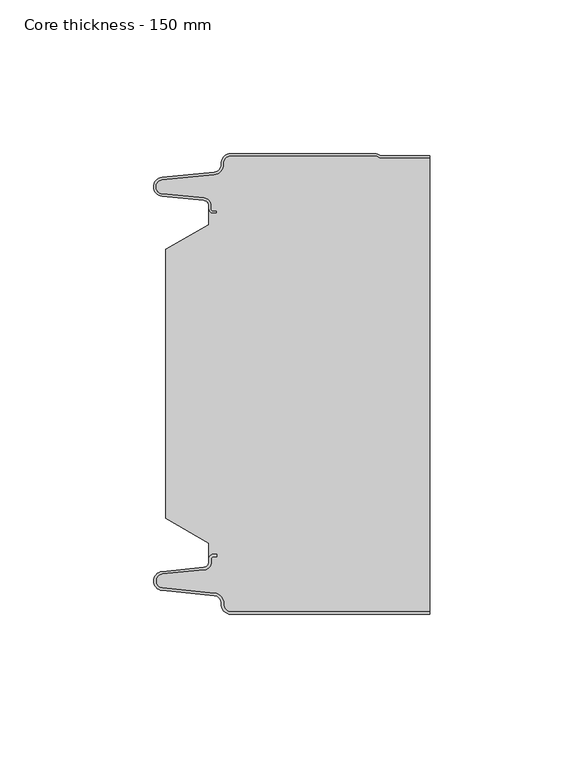
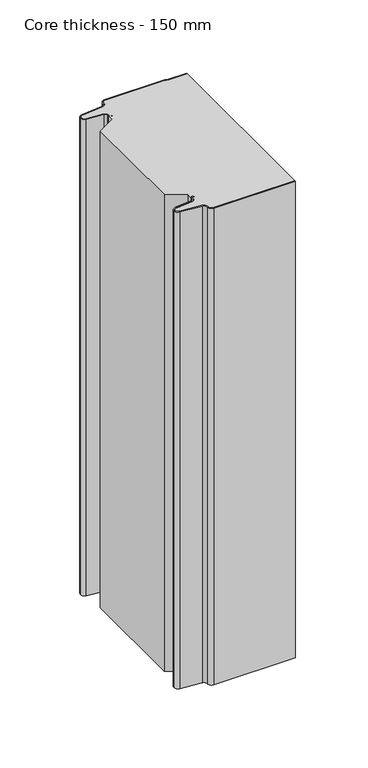
"""IFC4 building model written with IfcOpenShell, lengths in millimetres: plate geometry, Core thickness - 150 mm."""

import ifcopenshell
import ifcopenshell.guid

model = None  # the IFC model being written
_history = None  # IfcOwnerHistory: only IFC2X3 demands one
_inside = {}  # id of a spatial element -> (the spatial element, [elements in it])
_under = {}  # id of a project, library or spatial element -> (it, [spatial elements below it])
_declared = {}  # id of a project -> (the project, [libraries it declares])
_typed = {}  # id of a type object -> (the type object, [elements of that type])
_made_of = {}  # id of a material, layer set ... -> (it, [elements and type objects made of it])


def new_model(schema):
    """Start an empty IFC model of exactly this schema.

    Asked for "IFC4X3", IfcOpenShell would pick the latest addendum, in which some entities
    have other attributes; the version numbers below select the first issue.
    IFC2X3 requires an IfcOwnerHistory on every rooted entity: one is made here for all.
    """
    global model, _history
    if schema == "IFC4X3":
        model = ifcopenshell.file(schema_version=(4, 3, 0, 0))
    else:
        model = ifcopenshell.file(schema=schema)
    _inside.clear()
    _under.clear()
    _declared.clear()
    _typed.clear()
    _made_of.clear()
    _history = None
    if model.schema == "IFC2X3":
        org = make("IfcOrganization", Name="unknown")
        user = make(
            "IfcPersonAndOrganization",
            ThePerson=make("IfcPerson", FamilyName="unknown"),
            TheOrganization=org,
        )
        app = make(
            "IfcApplication",
            ApplicationDeveloper=org,
            Version="unknown",
            ApplicationFullName="unknown",
            ApplicationIdentifier="unknown",
        )
        _history = make(
            "IfcOwnerHistory",
            OwningUser=user,
            OwningApplication=app,
            ChangeAction="ADDED",
            CreationDate=0,
        )
    return model


def make(cls, **values):
    """One entity of the class cls with the attributes given. An attribute that is None is left unset."""
    return model.create_entity(
        cls, **{name: value for name, value in values.items() if value is not None}
    )


def rooted(cls, **values):
    """An entity with a GlobalId (a new one), such as an element, a storey or a relation."""
    return make(cls, GlobalId=ifcopenshell.guid.new(), OwnerHistory=_history, **values)


def si_unit(unit_type, name, prefix=None):
    """IfcSIUnit, for example si_unit("LENGTHUNIT", "METRE", prefix="MILLI")."""
    return make("IfcSIUnit", UnitType=unit_type, Prefix=prefix, Name=name)


def assignment(units):
    """IfcUnitAssignment: the units of a project."""
    return None if units is None else make("IfcUnitAssignment", Units=units)


def point(xyz):
    """IfcCartesianPoint."""
    return None if xyz is None else make("IfcCartesianPoint", Coordinates=xyz)


def direction(xyz):
    """IfcDirection."""
    return None if xyz is None else make("IfcDirection", DirectionRatios=xyz)


def frame(location, z_axis=None, x_axis=None):
    """IfcAxis2Placement3D, a coordinate frame: its origin and axes. An axis left out is left unset."""
    return make(
        "IfcAxis2Placement3D",
        Location=point(location),
        Axis=direction(z_axis),
        RefDirection=direction(x_axis),
    )


def origin():
    """The frame at (0, 0, 0) with its axes left unset."""
    return frame((0.0, 0.0, 0.0))


def place(relative_to, where):
    """IfcLocalPlacement: puts the frame where relative to a parent placement (None: the world)."""
    return make(
        "IfcLocalPlacement", PlacementRelTo=relative_to, RelativePlacement=where
    )


def context(
    kind, dimensions, precision=None, world=None, true_north=None, identifier=None
):
    """IfcGeometricRepresentationContext, for example the 3D "Model" context."""
    return make(
        "IfcGeometricRepresentationContext",
        ContextIdentifier=identifier,
        ContextType=kind,
        CoordinateSpaceDimension=dimensions,
        Precision=precision,
        WorldCoordinateSystem=world,
        TrueNorth=true_north,
    )


def project(units=None, contexts=None):
    """IfcProject with its units and contexts."""
    return rooted(
        "IfcProject",
        Name="project",
        RepresentationContexts=contexts,
        UnitsInContext=assignment(units),
    )


def spatial(cls, under=None, at=None, **own):
    """A site, building, storey or space (cls), placed at a placement, below another one or the project."""
    s = rooted(cls, ObjectPlacement=at, **own)
    if under is not None:
        _under.setdefault(under.id(), (under, []))[1].append(s)
    return s


def polyline(points):
    """IfcPolyline through the points."""
    return make("IfcPolyline", Points=[point(p) for p in points])


def circle_curve(where, radius):
    """IfcCircle in the frame where."""
    return make("IfcCircle", Position=where, Radius=radius)


def shape(context_of_items, identifier, shape_type, items):
    """IfcShapeRepresentation: the items that make up one representation, for example the "Body"."""
    return make(
        "IfcShapeRepresentation",
        ContextOfItems=context_of_items,
        RepresentationIdentifier=identifier,
        RepresentationType=shape_type,
        Items=items,
    )


def source(mapping_origin, context_of_items, identifier, shape_type, items):
    """IfcRepresentationMap: a shape defined once, which mapped items show again and again."""
    return make(
        "IfcRepresentationMap",
        MappingOrigin=mapping_origin,
        MappedRepresentation=shape(context_of_items, identifier, shape_type, items),
    )


def transform(
    local_origin,
    x_axis=None,
    y_axis=None,
    z_axis=None,
    scale=None,
    scale2=None,
    scale3=None,
    uniform=True,
):
    """IfcCartesianTransformationOperator3D, or its non-uniform kind. x_axis, y_axis, z_axis: its Axis1, 2, 3."""
    if uniform:
        return make(
            "IfcCartesianTransformationOperator3D",
            Axis1=direction(x_axis),
            Axis2=direction(y_axis),
            LocalOrigin=point(local_origin),
            Scale=scale,
            Axis3=direction(z_axis),
        )
    return make(
        "IfcCartesianTransformationOperator3DnonUniform",
        Axis1=direction(x_axis),
        Axis2=direction(y_axis),
        LocalOrigin=point(local_origin),
        Scale=scale,
        Axis3=direction(z_axis),
        Scale2=scale2,
        Scale3=scale3,
    )


def mapped(mapping_source, mapping_target):
    """IfcMappedItem: shows the shape of a source again, moved by a transform."""
    return make(
        "IfcMappedItem", MappingSource=mapping_source, MappingTarget=mapping_target
    )


def made_of(thing, what):
    """Note that an element or type object is made of a material, layer set ...; save() writes the relation."""
    if what is not None:
        _made_of.setdefault(what.id(), (what, []))[1].append(thing)
    return thing


def element(
    cls,
    number,
    at=None,
    inside=None,
    cuts=None,
    type_object=None,
    material=None,
    context=None,
    identifier="Body",
    shape_type=None,
    held_by="IfcProductDefinitionShape",
    body=None,
    shapes=None,
    **own,
):
    """One element of the class cls, such as IfcWall. Its Tag is "e" and its number.

    at: its placement. inside: the storey or other place that contains it. cuts: it is an
    opening in that element (IfcRelVoidsElement). A single representation is given by context,
    identifier, shape_type and body (its items); several are given by shapes. held_by: the class
    of the entity that holds the representations. save() writes the other relations.
    """
    e = rooted(cls, Tag="e%d" % number, ObjectPlacement=at, **own)
    if body is not None:
        shapes = [shape(context, identifier, shape_type, body)]
    if shapes is not None:
        e.Representation = make(held_by, Representations=shapes)
    if inside is not None:
        _inside.setdefault(inside.id(), (inside, []))[1].append(e)
    if cuts is not None:
        rooted(
            "IfcRelVoidsElement", RelatingBuildingElement=cuts, RelatedOpeningElement=e
        )
    if type_object is not None:
        _typed.setdefault(type_object.id(), (type_object, []))[1].append(e)
    return made_of(e, material)


def aggregate(whole, parts):
    """IfcRelAggregates: a whole, such as a stair, and the parts it consists of."""
    return rooted("IfcRelAggregates", RelatingObject=whole, RelatedObjects=parts)


def save(model, path):
    """Write the relations noted so far, then the file.

    IfcRelAggregates (storeys below a building ...), IfcRelContainedInSpatialStructure (elements
    in a storey), IfcRelDefinesByType, IfcRelAssociatesMaterial and IfcRelDeclares: one each for
    every whole, place, type object, material and project.
    """
    for whole, parts in _under.values():
        aggregate(whole, parts)
    for where, things in _inside.values():
        rooted(
            "IfcRelContainedInSpatialStructure",
            RelatedElements=things,
            RelatingStructure=where,
        )
    for kind, things in _typed.values():
        rooted("IfcRelDefinesByType", RelatedObjects=things, RelatingType=kind)
    for what, things in _made_of.values():
        rooted("IfcRelAssociatesMaterial", RelatedObjects=things, RelatingMaterial=what)
    for by, libraries in _declared.values():
        rooted("IfcRelDeclares", RelatingContext=by, RelatedDefinitions=libraries)
    model.write(path)


def plane_surface(at):
    """IfcPlane: the flat surface through the origin of the frame at, square to its z axis."""
    return make("IfcPlane", Position=at)


def cylinder_surface(at, radius):
    """IfcCylindricalSurface: all points at the distance radius from the z axis of the frame at."""
    return make("IfcCylindricalSurface", Position=at, Radius=radius)


def revolved_surface(curve, axis_point, axis_direction):
    """IfcSurfaceOfRevolution: the curve turned about the line through axis_point along axis_direction."""
    return make(
        "IfcSurfaceOfRevolution",
        SweptCurve=make("IfcArbitraryOpenProfileDef", ProfileType="CURVE", Curve=curve),
        AxisPosition=make("IfcAxis1Placement", Location=point(axis_point), Axis=direction(axis_direction)),
    )


def advanced_brep(points, edges, surfaces, faces):
    """IfcAdvancedBrep: a solid bounded by faces that lie on surfaces and meet in shared edges.

    An edge is (start, end): straight between two places in points (the first is 0);
    or (start, end, curve); or (start, end, curve, False) where it runs against its curve.
    A face is (place in surfaces, loops), or (place, loops, False) where it looks against
    its surface's normal. A loop lists edges by number (the first is 1), with a minus sign
    where the edge is run from its end to its start. The first loop is the outer one.
    """
    corners = [point(p) for p in points]
    vertices = [make("IfcVertexPoint", VertexGeometry=c) for c in corners]
    made = []
    for start, end, *more in edges:
        made.append(
            make(
                "IfcEdgeCurve",
                EdgeStart=vertices[start],
                EdgeEnd=vertices[end],
                EdgeGeometry=more[0] if more else make("IfcPolyline", Points=[corners[start], corners[end]]),
                SameSense=more[1] if len(more) > 1 else True,
            )
        )
    hull = []
    for where, loops, *sense in faces:
        bounds = []
        for j, loop in enumerate(loops):
            ring = [make("IfcOrientedEdge", EdgeElement=made[abs(k) - 1], Orientation=k > 0) for k in loop]
            bounds.append(
                make(
                    "IfcFaceOuterBound" if j == 0 else "IfcFaceBound",
                    Bound=make("IfcEdgeLoop", EdgeList=ring),
                    Orientation=True,
                )
            )
        hull.append(make("IfcAdvancedFace", Bounds=bounds, FaceSurface=surfaces[where], SameSense=sense[0] if sense else True))
    return make("IfcAdvancedBrep", Outer=make("IfcClosedShell", CfsFaces=hull))


def core_thickness_150_mm_3333cd2f(model_context):
    return source(origin(), model_context, "Body", "AdvancedBrep", [
        advanced_brep(
        [(-19.8000003, -149.9996949, 0.0), (-22.9923632, -146.5787437, 0.0), (-25.2560431, -143.9171154, 0.0), (-42.2115315, -142.2546153, 0.0), (-44.9999998, -139.1776715, 0.0), (-42.2115315, -136.1007278, 0.0), (-28.6195785, -134.7680252, 0.0), (-26.9952277, -132.9766159, 0.0), (-26.9952277, -131.8996949, 0.0), (-25.5952277, -130.4996949, 0.0), (-24.4952277, -130.4996949, 0.0), (-24.4952277, -131.2996949, 0.0), (-25.5952277, -131.2996949, 0.0), (-26.1952277, -131.8996949, 0.0), (-26.1952277, -132.9766159, 0.0), (-28.5415122, -135.5642071, 0.0), (-42.1334652, -136.8969097, 0.0), (-44.1999997, -139.1776715, 0.0), (-42.1334652, -141.4584333, 0.0), (-25.1779767, -143.1209335, 0.0), (-22.2078761, -146.6330399, 0.0), (-19.8000003, -149.1996949, 0.0), (44.9999998, -149.2, 0.0), (44.9999998, -149.9996949, 0.0), (-19.8000003, -149.1996949, 400.0), (-22.1942724, -146.6339815, 400.0), (-25.1779767, -143.1209335, 400.0), (-42.1334652, -141.4584333, 400.0), (-44.1999997, -139.1776715, 400.0), (-42.1334652, -136.8969097, 400.0), (-28.5415122, -135.5642071, 400.0), (-26.1952277, -132.9766159, 400.0), (-26.1952277, -131.8996949, 400.0), (-25.5952277, -131.2996949, 400.0), (-24.4952277, -131.2996949, 400.0), (-24.4952277, -130.4996949, 400.0), (-25.5952277, -130.4996949, 400.0), (-26.9952277, -131.8996949, 400.0), (-26.9952277, -132.9766159, 400.0), (-28.6195785, -134.7680252, 400.0), (-42.2115315, -136.1007278, 400.0), (-44.9999998, -139.1776715, 400.0), (-42.2115315, -142.2546153, 400.0), (-25.2560431, -143.9171154, 400.0), (-23.0059668, -146.5778021, 400.0), (-19.8000003, -149.9996949, 400.0), (44.9999998, -149.9996949, 400.0), (44.9999998, -149.2, 400.0)],
        [
            (0, 1, circle_curve(frame((-19.8000003, -146.7996949, 0.0), z_axis=(0.0, 0.0, -1.0), x_axis=(1.0, 0.0, 0.0)), 3.2)),
            (1, 2, circle_curve(frame((-25.5000003, -146.4051839, 0.0), z_axis=(0.0, 0.0, 1.0), x_axis=(1.0, 0.0, 0.0)), 2.5)),
            (2, 3),
            (3, 4, circle_curve(frame((-41.9100003, -139.1793626, 0.0), z_axis=(0.0, 0.0, -1.0), x_axis=(1.0, 0.0, 0.0)), 3.09)),
            (4, 5, circle_curve(frame((-41.9100003, -139.1759805, 0.0), z_axis=(0.0, 0.0, -1.0), x_axis=(1.0, 0.0, 0.0)), 3.09)),
            (5, 6),
            (6, 7, circle_curve(frame((-28.7952277, -132.9766159, 0.0), z_axis=(0.0, 0.0, 1.0), x_axis=(1.0, 0.0, 0.0)), 1.8)),
            (7, 8),
            (8, 9, circle_curve(frame((-25.5952277, -131.8996949, 0.0), z_axis=(0.0, 0.0, -1.0), x_axis=(1.0, 0.0, 0.0)), 1.4)),
            (9, 10),
            (10, 11),
            (11, 12),
            (12, 13, circle_curve(frame((-25.5952277, -131.8996949, 0.0), z_axis=(0.0, 0.0, 1.0), x_axis=(1.0, 0.0, 0.0)), 0.6)),
            (13, 14),
            (14, 15, circle_curve(frame((-28.7952277, -132.9766159, 0.0), z_axis=(0.0, 0.0, -1.0), x_axis=(1.0, 0.0, 0.0)), 2.6)),
            (15, 16),
            (16, 17, circle_curve(frame((-41.9100003, -139.1759805, 0.0), z_axis=(0.0, 0.0, 1.0), x_axis=(1.0, 0.0, 0.0)), 2.29)),
            (17, 18, circle_curve(frame((-41.9100003, -139.1793626, 0.0), z_axis=(0.0, 0.0, 1.0), x_axis=(1.0, 0.0, 0.0)), 2.29)),
            (18, 19),
            (19, 20, circle_curve(frame((-25.5000003, -146.4051839, 0.0), z_axis=(0.0, 0.0, -1.0), x_axis=(1.0, 0.0, 0.0)), 3.3)),
            (20, 21, circle_curve(frame((-19.8000003, -146.7996949, 0.0), z_axis=(0.0, 0.0, 1.0), x_axis=(1.0, 0.0, 0.0)), 2.4)),
            (21, 22),
            (22, 23),
            (23, 0),
            (24, 25, circle_curve(frame((-19.8000003, -146.7996949, 400.0), z_axis=(0.0, 0.0, -1.0), x_axis=(1.0, 0.0, 0.0)), 2.4)),
            (25, 26, circle_curve(frame((-25.5000003, -146.4051839, 400.0), z_axis=(0.0, 0.0, 1.0), x_axis=(1.0, 0.0, 0.0)), 3.3)),
            (26, 27),
            (27, 28, circle_curve(frame((-41.9100003, -139.1793626, 400.0), z_axis=(0.0, 0.0, -1.0), x_axis=(1.0, 0.0, 0.0)), 2.29)),
            (28, 29, circle_curve(frame((-41.9100003, -139.1759805, 400.0), z_axis=(0.0, 0.0, -1.0), x_axis=(1.0, 0.0, 0.0)), 2.29)),
            (29, 30),
            (30, 31, circle_curve(frame((-28.7952277, -132.9766159, 400.0), z_axis=(0.0, 0.0, 1.0), x_axis=(1.0, 0.0, 0.0)), 2.6)),
            (31, 32),
            (32, 33, circle_curve(frame((-25.5952277, -131.8996949, 400.0), z_axis=(0.0, 0.0, -1.0), x_axis=(1.0, 0.0, 0.0)), 0.6)),
            (33, 34),
            (34, 35),
            (35, 36),
            (36, 37, circle_curve(frame((-25.5952277, -131.8996949, 400.0), z_axis=(0.0, 0.0, 1.0), x_axis=(1.0, 0.0, 0.0)), 1.4)),
            (37, 38),
            (38, 39, circle_curve(frame((-28.7952277, -132.9766159, 400.0), z_axis=(0.0, 0.0, -1.0), x_axis=(1.0, 0.0, 0.0)), 1.8)),
            (39, 40),
            (40, 41, circle_curve(frame((-41.9100003, -139.1759805, 400.0), z_axis=(0.0, 0.0, 1.0), x_axis=(1.0, 0.0, 0.0)), 3.09)),
            (41, 42, circle_curve(frame((-41.9100003, -139.1793626, 400.0), z_axis=(0.0, 0.0, 1.0), x_axis=(1.0, 0.0, 0.0)), 3.09)),
            (42, 43),
            (43, 44, circle_curve(frame((-25.5000003, -146.4051839, 400.0), z_axis=(0.0, 0.0, -1.0), x_axis=(1.0, 0.0, 0.0)), 2.5)),
            (44, 45, circle_curve(frame((-19.8000003, -146.7996949, 400.0), z_axis=(0.0, 0.0, 1.0), x_axis=(1.0, 0.0, 0.0)), 3.2)),
            (45, 46),
            (46, 47),
            (47, 24),
            (21, 24),
            (47, 22),
            (20, 25),
            (19, 26),
            (18, 27),
            (17, 28),
            (16, 29),
            (15, 30),
            (14, 31),
            (13, 32),
            (12, 33),
            (11, 34),
            (10, 35),
            (9, 36),
            (8, 37),
            (7, 38),
            (6, 39),
            (5, 40),
            (4, 41),
            (3, 42),
            (2, 43),
            (1, 44),
            (0, 45),
            (23, 46),
        ],
        [
            plane_surface(frame((-44.9999998, -150.0, 0.0), z_axis=(0.0, 0.0, -1.0), x_axis=(0.0, 1.0, 0.0))),
            plane_surface(frame((-44.9999998, -150.0, 400.0), z_axis=(0.0, 0.0, 1.0), x_axis=(0.0, 1.0, 0.0))),
            plane_surface(frame((-19.8000003, -149.2, 0.0), z_axis=(0.0, 1.0, 0.0), x_axis=(0.0, 0.0, 1.0))),
            revolved_surface(polyline([(-17.400000300000002, -146.7996949, 400.0), (-17.400000300000002, -146.7996949, 0.0)]), (-19.8000003, -146.7996949, 0.0), (0.0, 0.0, 1.0)),
            cylinder_surface(frame((-25.5000003, -146.4051839, 0.0), z_axis=(0.0, 0.0, -1.0), x_axis=(1.0, 0.0, 0.0)), 3.3),
            plane_surface(frame((-42.1334652, -141.4584333, 0.0), z_axis=(0.09758289975914758, 0.9952273999818314, 0.0), x_axis=(0.0, 0.0, 1.0))),
            revolved_surface(polyline([(-39.6200003, -139.1793626, 400.0), (-39.6200003, -139.1793626, 0.0)]), (-41.9100003, -139.1793626, 0.0), (0.0, 0.0, 1.0)),
            revolved_surface(polyline([(-39.6200003, -139.1759805, 400.0), (-39.6200003, -139.1759805, 0.0)]), (-41.9100003, -139.1759805, 0.0), (0.0, 0.0, 1.0)),
            plane_surface(frame((-28.5415122, -135.5642071, 0.0), z_axis=(0.09758289975914383, -0.9952273999818317, 0.0), x_axis=(0.0, 0.0, 1.0))),
            cylinder_surface(frame((-28.7952277, -132.9766159, 0.0), z_axis=(0.0, 0.0, -1.0), x_axis=(1.0, 0.0, 0.0)), 2.6),
            plane_surface(frame((-26.1952277, -131.8996949, 0.0), z_axis=(1.0, 0.0, 0.0), x_axis=(0.0, 0.0, 1.0))),
            revolved_surface(polyline([(-24.995227699999997, -131.8996949, 400.0), (-24.995227699999997, -131.8996949, 0.0)]), (-25.5952277, -131.8996949, 0.0), (0.0, 0.0, 1.0)),
            plane_surface(frame((-24.4952277, -131.2996949, 0.0), z_axis=(0.0, -1.0, 0.0), x_axis=(0.0, 0.0, 1.0))),
            plane_surface(frame((-24.4952277, -130.4996949, 0.0), z_axis=(1.0, 0.0, 0.0), x_axis=(0.0, 0.0, 1.0))),
            plane_surface(frame((-25.5952277, -130.4996949, 0.0), z_axis=(0.0, 1.0, 0.0), x_axis=(0.0, 0.0, 1.0))),
            cylinder_surface(frame((-25.5952277, -131.8996949, 0.0), z_axis=(0.0, 0.0, -1.0), x_axis=(1.0, 0.0, 0.0)), 1.4),
            plane_surface(frame((-26.9952277, -132.9766159, 0.0), z_axis=(-1.0, 0.0, 0.0), x_axis=(0.0, 0.0, 1.0))),
            revolved_surface(polyline([(-26.9952277, -132.9766159, 400.0), (-26.9952277, -132.9766159, 0.0)]), (-28.7952277, -132.9766159, 0.0), (0.0, 0.0, 1.0)),
            plane_surface(frame((-42.2115315, -136.1007278, 0.0), z_axis=(-0.09758289975914387, 0.9952273999818317, 0.0), x_axis=(0.0, 0.0, 1.0))),
            cylinder_surface(frame((-41.9100003, -139.1759805, 0.0), z_axis=(0.0, 0.0, -1.0), x_axis=(1.0, 0.0, 0.0)), 3.09),
            cylinder_surface(frame((-41.9100003, -139.1793626, 0.0), z_axis=(0.0, 0.0, -1.0), x_axis=(1.0, 0.0, 0.0)), 3.09),
            plane_surface(frame((-25.2560431, -143.9171154, 0.0), z_axis=(-0.09758289975914762, -0.9952273999818314, 0.0), x_axis=(0.0, 0.0, 1.0))),
            revolved_surface(polyline([(-23.0000003, -146.4051839, 400.0), (-23.0000003, -146.4051839, 0.0)]), (-25.5000003, -146.4051839, 0.0), (0.0, 0.0, 1.0)),
            cylinder_surface(frame((-19.8000003, -146.7996949, 0.0), z_axis=(0.0, 0.0, -1.0), x_axis=(1.0, 0.0, 0.0)), 3.2),
            plane_surface(frame((1121.009932, -149.9996949, 0.0), z_axis=(0.0, -1.0, 0.0), x_axis=(0.0, 0.0, 1.0))),
            plane_surface(frame((44.9999998, 180.0, 400.0), z_axis=(1.0, 0.0, 0.0), x_axis=(0.0, 0.0, -1.0))),
        ],
        [
            (0, [[1, 2, 3, 4, 5, 6, 7, 8, 9, 10, 11, 12, 13, 14, 15, 16, 17, 18, 19, 20, 21, 22, 23, 24]]),
            (1, [[25, 26, 27, 28, 29, 30, 31, 32, 33, 34, 35, 36, 37, 38, 39, 40, 41, 42, 43, 44, 45, 46, 47, 48]]),
            (2, [[49, -48, 50, -22]]),
            (3, [[-21, 51, -25, -49]]),
            (4, [[-20, 52, -26, -51]]),
            (5, [[-19, 53, -27, -52]]),
            (6, [[-18, 54, -28, -53]]),
            (7, [[-17, 55, -29, -54]]),
            (8, [[-16, 56, -30, -55]]),
            (9, [[-15, 57, -31, -56]]),
            (10, [[-14, 58, -32, -57]]),
            (11, [[-13, 59, -33, -58]]),
            (12, [[-12, 60, -34, -59]]),
            (13, [[-11, 61, -35, -60]]),
            (14, [[-10, 62, -36, -61]]),
            (15, [[-9, 63, -37, -62]]),
            (16, [[-8, 64, -38, -63]]),
            (17, [[-7, 65, -39, -64]]),
            (18, [[-6, 66, -40, -65]]),
            (19, [[-5, 67, -41, -66]]),
            (20, [[-4, 68, -42, -67]]),
            (21, [[-3, 69, -43, -68]]),
            (22, [[-2, 70, -44, -69]]),
            (23, [[-1, 71, -45, -70]]),
            (24, [[-71, -24, 72, -46]]),
            (25, [[-23, -50, -47, -72]]),
        ],
    ),
        advanced_brep(
        [(-26.9952277, -23.1062917, 400.0), (-41.0446509, -31.1628062, 400.0), (-41.0446509, -118.7531937, 400.0), (-26.9952277, -126.8937083, 400.0), (-26.9952277, -130.4996949, 400.0), (-26.9952277, -131.8996949, 400.0), (-25.5952277, -130.4996949, 400.0), (-24.4952277, -130.4996949, 400.0), (-24.4952277, -131.2996949, 400.0), (-25.5952277, -131.2996949, 400.0), (-26.1952277, -131.8996949, 400.0), (-26.1952277, -132.9766159, 400.0), (-28.5415122, -135.5642071, 400.0), (-42.1334652, -136.8969097, 400.0), (-44.1999997, -139.1776715, 400.0), (-42.1334652, -141.4584333, 400.0), (-25.1779767, -143.1209335, 400.0), (-22.2078761, -146.6330399, 400.0), (-19.8000003, -149.1996949, 400.0), (44.9999998, -149.2, 400.0), (44.9999998, -1.5003051, 400.0), (29.4172165, -1.5003051, 400.0), (27.9978051, -1.0971009, 400.0), (26.9454197, -0.8, 400.0), (-19.8000003, -0.8, 400.0), (-22.1942724, -3.3660185, 400.0), (-25.1779767, -6.8790665, 400.0), (-42.1334652, -8.5415667, 400.0), (-44.1999997, -10.8223285, 400.0), (-42.1334652, -13.1030903, 400.0), (-28.5415122, -14.4357929, 400.0), (-26.1952277, -17.0233841, 400.0), (-26.1952277, -18.1003051, 400.0), (-25.5952277, -18.7003051, 400.0), (-24.4952277, -18.7003051, 400.0), (-24.4952277, -19.5003051, 400.0), (-25.5952277, -19.5003051, 400.0), (-26.9952277, -18.1003051, 400.0), (-26.9952277, -19.5003051, 400.0), (-26.9952277, -126.8937083, 0.0), (-41.0446509, -118.7531937, 0.0), (-41.0446509, -31.1628062, 0.0), (-26.9952277, -23.1062917, 0.0), (-26.9952277, -19.5003051, 0.0), (-26.9952277, -18.1003051, 0.0), (-25.5952277, -19.5003051, 0.0), (-24.4952277, -19.5003051, 0.0), (-24.4952277, -18.7003051, 0.0), (-25.5952277, -18.7003051, 0.0), (-26.1952277, -18.1003051, 0.0), (-26.1952277, -17.0233841, 0.0), (-28.5415122, -14.4357929, 0.0), (-42.1334652, -13.1030903, 0.0), (-44.1999997, -10.8223285, 0.0), (-42.1334652, -8.5415667, 0.0), (-25.1779767, -6.8790665, 0.0), (-22.2078761, -3.3669601, 0.0), (-19.8000003, -0.8003051, 0.0), (26.9454197, -0.8, 0.0), (27.9968355, -1.0986697, 0.0), (29.4172165, -1.5003051, 0.0), (44.9999998, -1.5003051, 0.0), (44.9999998, -149.2, 0.0), (-19.8000003, -149.2, 0.0), (-22.1942724, -146.6339815, 0.0), (-25.1779767, -143.1209335, 0.0), (-42.1334652, -141.4584333, 0.0), (-44.1999997, -139.1776715, 0.0), (-42.1334652, -136.8969097, 0.0), (-28.5415122, -135.5642071, 0.0), (-26.1952277, -132.9766159, 0.0), (-26.1952277, -131.8996949, 0.0), (-25.5952277, -131.2996949, 0.0), (-24.4952277, -131.2996949, 0.0), (-24.4952277, -130.4996949, 0.0), (-25.5952277, -130.4996949, 0.0), (-26.9952277, -131.8996949, 0.0), (-26.9952277, -130.4996949, 0.0)],
        [
            (0, 1),
            (1, 2),
            (2, 3),
            (3, 4),
            (4, 5),
            (5, 6, circle_curve(frame((-25.5952277, -131.8996949, 400.0), z_axis=(0.0, 0.0, -1.0), x_axis=(1.0, 0.0, 0.0)), 1.4)),
            (6, 7),
            (7, 8),
            (8, 9),
            (9, 10, circle_curve(frame((-25.5952277, -131.8996949, 400.0), z_axis=(0.0, 0.0, 1.0), x_axis=(1.0, 0.0, 0.0)), 0.6)),
            (10, 11),
            (11, 12, circle_curve(frame((-28.7952277, -132.9766159, 400.0), z_axis=(0.0, 0.0, -1.0), x_axis=(1.0, 0.0, 0.0)), 2.6)),
            (12, 13),
            (13, 14, circle_curve(frame((-41.9100003, -139.1759805, 400.0), z_axis=(0.0, 0.0, 1.0), x_axis=(1.0, 0.0, 0.0)), 2.29)),
            (14, 15, circle_curve(frame((-41.9100003, -139.1793626, 400.0), z_axis=(0.0, 0.0, 1.0), x_axis=(1.0, 0.0, 0.0)), 2.29)),
            (15, 16),
            (16, 17, circle_curve(frame((-25.5000003, -146.4051839, 400.0), z_axis=(0.0, 0.0, -1.0), x_axis=(1.0, 0.0, 0.0)), 3.3)),
            (17, 18, circle_curve(frame((-19.8000003, -146.7996949, 400.0), z_axis=(0.0, 0.0, 1.0), x_axis=(1.0, 0.0, 0.0)), 2.4)),
            (18, 19),
            (19, 20),
            (20, 21),
            (21, 22, circle_curve(frame((29.4172165, 1.1996949, 400.0), z_axis=(0.0, 0.0, -1.0), x_axis=(1.0, 0.0, 0.0)), 2.7)),
            (22, 23, circle_curve(frame((26.9454197, -2.8, 400.0), z_axis=(0.0, 0.0, 1.0), x_axis=(1.0, 0.0, 0.0)), 2.0)),
            (23, 24),
            (24, 25, circle_curve(frame((-19.8000003, -3.2003051, 400.0), z_axis=(0.0, 0.0, 1.0), x_axis=(1.0, 0.0, 0.0)), 2.4)),
            (25, 26, circle_curve(frame((-25.5000003, -3.5948161, 400.0), z_axis=(0.0, 0.0, -1.0), x_axis=(1.0, 0.0, 0.0)), 3.3)),
            (26, 27),
            (27, 28, circle_curve(frame((-41.9100003, -10.8206374, 400.0), z_axis=(0.0, 0.0, 1.0), x_axis=(1.0, 0.0, 0.0)), 2.29)),
            (28, 29, circle_curve(frame((-41.9100003, -10.8240195, 400.0), z_axis=(0.0, 0.0, 1.0), x_axis=(1.0, 0.0, 0.0)), 2.29)),
            (29, 30),
            (30, 31, circle_curve(frame((-28.7952277, -17.0233841, 400.0), z_axis=(0.0, 0.0, -1.0), x_axis=(1.0, 0.0, 0.0)), 2.6)),
            (31, 32),
            (32, 33, circle_curve(frame((-25.5952277, -18.1003051, 400.0), z_axis=(0.0, 0.0, 1.0), x_axis=(1.0, 0.0, 0.0)), 0.6)),
            (33, 34),
            (34, 35),
            (35, 36),
            (36, 37, circle_curve(frame((-25.5952277, -18.1003051, 400.0), z_axis=(0.0, 0.0, -1.0), x_axis=(1.0, 0.0, 0.0)), 1.4)),
            (37, 38),
            (38, 0),
            (39, 40),
            (40, 41),
            (41, 42),
            (42, 43),
            (43, 44),
            (44, 45, circle_curve(frame((-25.5952277, -18.1003051, 0.0), z_axis=(0.0, 0.0, 1.0), x_axis=(1.0, 0.0, 0.0)), 1.4)),
            (45, 46),
            (46, 47),
            (47, 48),
            (48, 49, circle_curve(frame((-25.5952277, -18.1003051, 0.0), z_axis=(0.0, 0.0, -1.0), x_axis=(1.0, 0.0, 0.0)), 0.6)),
            (49, 50),
            (50, 51, circle_curve(frame((-28.7952277, -17.0233841, 0.0), z_axis=(0.0, 0.0, 1.0), x_axis=(1.0, 0.0, 0.0)), 2.6)),
            (51, 52),
            (52, 53, circle_curve(frame((-41.9100003, -10.8240195, 0.0), z_axis=(0.0, 0.0, -1.0), x_axis=(1.0, 0.0, 0.0)), 2.29)),
            (53, 54, circle_curve(frame((-41.9100003, -10.8206374, 0.0), z_axis=(0.0, 0.0, -1.0), x_axis=(1.0, 0.0, 0.0)), 2.29)),
            (54, 55),
            (55, 56, circle_curve(frame((-25.5000003, -3.5948161, 0.0), z_axis=(0.0, 0.0, 1.0), x_axis=(1.0, 0.0, 0.0)), 3.3)),
            (56, 57, circle_curve(frame((-19.8000003, -3.2003051, 0.0), z_axis=(0.0, 0.0, -1.0), x_axis=(1.0, 0.0, 0.0)), 2.4)),
            (57, 58),
            (58, 59, circle_curve(frame((26.9454197, -2.8, 0.0), z_axis=(0.0, 0.0, -1.0), x_axis=(1.0, 0.0, 0.0)), 2.0)),
            (59, 60, circle_curve(frame((29.4172165, 1.1996949, 0.0), z_axis=(0.0, 0.0, 1.0), x_axis=(1.0, 0.0, 0.0)), 2.7)),
            (60, 61),
            (61, 62),
            (62, 63),
            (63, 64, circle_curve(frame((-19.8000003, -146.7996949, 0.0), z_axis=(0.0, 0.0, -1.0), x_axis=(1.0, 0.0, 0.0)), 2.4)),
            (64, 65, circle_curve(frame((-25.5000003, -146.4051839, 0.0), z_axis=(0.0, 0.0, 1.0), x_axis=(1.0, 0.0, 0.0)), 3.3)),
            (65, 66),
            (66, 67, circle_curve(frame((-41.9100003, -139.1793626, 0.0), z_axis=(0.0, 0.0, -1.0), x_axis=(1.0, 0.0, 0.0)), 2.29)),
            (67, 68, circle_curve(frame((-41.9100003, -139.1759805, 0.0), z_axis=(0.0, 0.0, -1.0), x_axis=(1.0, 0.0, 0.0)), 2.29)),
            (68, 69),
            (69, 70, circle_curve(frame((-28.7952277, -132.9766159, 0.0), z_axis=(0.0, 0.0, 1.0), x_axis=(1.0, 0.0, 0.0)), 2.6)),
            (70, 71),
            (71, 72, circle_curve(frame((-25.5952277, -131.8996949, 0.0), z_axis=(0.0, 0.0, -1.0), x_axis=(1.0, 0.0, 0.0)), 0.6)),
            (72, 73),
            (73, 74),
            (74, 75),
            (75, 76, circle_curve(frame((-25.5952277, -131.8996949, 0.0), z_axis=(0.0, 0.0, 1.0), x_axis=(1.0, 0.0, 0.0)), 1.4)),
            (76, 77),
            (77, 39),
            (42, 0),
            (37, 44),
            (1, 41),
            (40, 2),
            (39, 3),
            (76, 5),
            (18, 63),
            (62, 19),
            (17, 64),
            (16, 65),
            (15, 66),
            (14, 67),
            (13, 68),
            (12, 69),
            (11, 70),
            (10, 71),
            (9, 72),
            (8, 73),
            (7, 74),
            (6, 75),
            (57, 24),
            (23, 58),
            (22, 59),
            (21, 60),
            (20, 61),
            (36, 45),
            (35, 46),
            (34, 47),
            (33, 48),
            (32, 49),
            (31, 50),
            (30, 51),
            (29, 52),
            (28, 53),
            (27, 54),
            (26, 55),
            (25, 56),
        ],
        [
            plane_surface(frame((-44.9999998, 0.0, 400.0), z_axis=(0.0, 0.0, 1.0), x_axis=(0.0, -1.0, 0.0))),
            plane_surface(frame((-44.9999998, 0.0, 0.0), z_axis=(0.0, 0.0, -1.0), x_axis=(0.0, -1.0, 0.0))),
            plane_surface(frame((-26.9952277, -17.0229218, 400.0), z_axis=(-1.0, 0.0, 0.0), x_axis=(0.0, 0.0, -1.0))),
            plane_surface(frame((-41.0446509, -31.1628062, 400.0), z_axis=(-1.0, 0.0, 0.0), x_axis=(0.0, 0.0, -1.0))),
            plane_surface(frame((-26.9952277, -23.1062917, 400.0), z_axis=(-0.4974543664933155, 0.8674901459133322, 0.0), x_axis=(0.0, 0.0, -1.0))),
            plane_surface(frame((-41.0446509, -118.7531937, 400.0), z_axis=(-0.5013424225369607, -0.8652489672717164, 0.0), x_axis=(0.0, 0.0, -1.0))),
            plane_surface(frame((-26.9952277, -126.8937083, 400.0), z_axis=(-1.0, 0.0, 0.0), x_axis=(0.0, 0.0, -1.0))),
            plane_surface(frame((1121.009932, -149.2, 530.0), z_axis=(0.0, -1.0, 0.0), x_axis=(0.0, 0.0, -1.0))),
            cylinder_surface(frame((-19.8000003, -146.7996949, 530.0), z_axis=(0.0, 0.0, -1.0), x_axis=(1.0, 0.0, 0.0)), 2.4),
            revolved_surface(polyline([(-22.2000003, -146.4051839, 400.0), (-22.2000003, -146.4051839, 0.0)]), (-25.5000003, -146.4051839, 530.0), (0.0, 0.0, 1.0)),
            plane_surface(frame((-25.1779767, -143.1209335, 530.0), z_axis=(-0.09758289975914758, -0.9952273999818314, 0.0), x_axis=(0.0, 0.0, -1.0))),
            cylinder_surface(frame((-41.9100003, -139.1793626, 530.0), z_axis=(0.0, 0.0, -1.0), x_axis=(1.0, 0.0, 0.0)), 2.29),
            cylinder_surface(frame((-41.9100003, -139.1759805, 530.0), z_axis=(0.0, 0.0, -1.0), x_axis=(1.0, 0.0, 0.0)), 2.29),
            plane_surface(frame((-42.1334652, -136.8969097, 530.0), z_axis=(-0.09758289975914383, 0.9952273999818317, 0.0), x_axis=(0.0, 0.0, -1.0))),
            revolved_surface(polyline([(-26.1952277, -132.9766159, 400.0), (-26.1952277, -132.9766159, 0.0)]), (-28.7952277, -132.9766159, 530.0), (0.0, 0.0, 1.0)),
            plane_surface(frame((-26.1952277, -132.9766159, 530.0), z_axis=(-1.0, 0.0, 0.0), x_axis=(0.0, 0.0, -1.0))),
            cylinder_surface(frame((-25.5952277, -131.8996949, 530.0), z_axis=(0.0, 0.0, -1.0), x_axis=(1.0, 0.0, 0.0)), 0.6),
            plane_surface(frame((-25.5952277, -131.2996949, 530.0), z_axis=(0.0, 1.0, 0.0), x_axis=(0.0, 0.0, -1.0))),
            plane_surface(frame((-24.4952277, -131.2996949, 530.0), z_axis=(-1.0, 0.0, 0.0), x_axis=(0.0, 0.0, -1.0))),
            plane_surface(frame((-24.4952277, -130.4996949, 530.0), z_axis=(0.0, -1.0, 0.0), x_axis=(0.0, 0.0, -1.0))),
            revolved_surface(polyline([(-24.1952277, -131.8996949, 400.0), (-24.1952277, -131.8996949, 0.0)]), (-25.5952277, -131.8996949, 530.0), (0.0, 0.0, 1.0)),
            plane_surface(frame((-19.8000003, -0.8, 530.0), z_axis=(0.0, 1.0, 0.0), x_axis=(0.0, 0.0, -1.0))),
            cylinder_surface(frame((26.9454197, -2.8, 530.0), z_axis=(0.0, 0.0, -1.0), x_axis=(1.0, 0.0, 0.0)), 2.0),
            revolved_surface(polyline([(32.1172165, 1.1996949, 400.0), (32.1172165, 1.1996949, 0.0)]), (29.4172165, 1.1996949, 530.0), (0.0, 0.0, 1.0)),
            plane_surface(frame((29.4172165, -1.5003051, 530.0), z_axis=(0.0, 1.0, 0.0), x_axis=(0.0, 0.0, -1.0))),
            revolved_surface(polyline([(-24.1952277, -18.1003051, 400.0), (-24.1952277, -18.1003051, 0.0)]), (-25.5952277, -18.1003051, 530.0), (0.0, 0.0, 1.0)),
            plane_surface(frame((-25.5952277, -19.5003051, 530.0), z_axis=(0.0, 1.0, 0.0), x_axis=(0.0, 0.0, -1.0))),
            plane_surface(frame((-24.4952277, -19.5003051, 530.0), z_axis=(-1.0, 0.0, 0.0), x_axis=(0.0, 0.0, -1.0))),
            plane_surface(frame((-24.4952277, -18.7003051, 530.0), z_axis=(0.0, -1.0, 0.0), x_axis=(0.0, 0.0, -1.0))),
            cylinder_surface(frame((-25.5952277, -18.1003051, 530.0), z_axis=(0.0, 0.0, -1.0), x_axis=(1.0, 0.0, 0.0)), 0.6),
            plane_surface(frame((-26.1952277, -18.1003051, 530.0), z_axis=(-1.0, 0.0, 0.0), x_axis=(0.0, 0.0, -1.0))),
            revolved_surface(polyline([(-26.1952277, -17.0233841, 400.0), (-26.1952277, -17.0233841, 0.0)]), (-28.7952277, -17.0233841, 530.0), (0.0, 0.0, 1.0)),
            plane_surface(frame((-28.5415122, -14.4357929, 530.0), z_axis=(-0.09758289975914705, -0.9952273999818314, 0.0), x_axis=(0.0, 0.0, -1.0))),
            cylinder_surface(frame((-41.9100003, -10.8240195, 530.0), z_axis=(0.0, 0.0, -1.0), x_axis=(1.0, 0.0, 0.0)), 2.29),
            cylinder_surface(frame((-41.9100003, -10.8206374, 530.0), z_axis=(0.0, 0.0, -1.0), x_axis=(1.0, 0.0, 0.0)), 2.29),
            plane_surface(frame((-42.1334652, -8.5415667, 530.0), z_axis=(-0.09758289975914436, 0.9952273999818317, 0.0), x_axis=(0.0, 0.0, -1.0))),
            revolved_surface(polyline([(-22.2000003, -3.5948161, 400.0), (-22.2000003, -3.5948161, 0.0)]), (-25.5000003, -3.5948161, 530.0), (0.0, 0.0, 1.0)),
            cylinder_surface(frame((-19.8000003, -3.2003051, 530.0), z_axis=(0.0, 0.0, -1.0), x_axis=(1.0, 0.0, 0.0)), 2.4),
            plane_surface(frame((44.9999998, 180.0, 400.0), z_axis=(1.0, 0.0, 0.0), x_axis=(0.0, 0.0, -1.0))),
        ],
        [
            (0, [[1, 2, 3, 4, 5, 6, 7, 8, 9, 10, 11, 12, 13, 14, 15, 16, 17, 18, 19, 20, 21, 22, 23, 24, 25, 26, 27, 28, 29, 30, 31, 32, 33, 34, 35, 36, 37, 38, 39]]),
            (1, [[40, 41, 42, 43, 44, 45, 46, 47, 48, 49, 50, 51, 52, 53, 54, 55, 56, 57, 58, 59, 60, 61, 62, 63, 64, 65, 66, 67, 68, 69, 70, 71, 72, 73, 74, 75, 76, 77, 78]]),
            (2, [[79, -39, -38, 80, -44, -43]]),
            (3, [[-2, 81, -41, 82]]),
            (4, [[-1, -79, -42, -81]]),
            (5, [[-3, -82, -40, 83]]),
            (6, [[-83, -78, -77, 84, -5, -4]]),
            (7, [[85, -63, 86, -19]]),
            (8, [[-85, -18, 87, -64]]),
            (9, [[-87, -17, 88, -65]]),
            (10, [[-88, -16, 89, -66]]),
            (11, [[-89, -15, 90, -67]]),
            (12, [[-90, -14, 91, -68]]),
            (13, [[-91, -13, 92, -69]]),
            (14, [[-92, -12, 93, -70]]),
            (15, [[-93, -11, 94, -71]]),
            (16, [[-94, -10, 95, -72]]),
            (17, [[-95, -9, 96, -73]]),
            (18, [[-96, -8, 97, -74]]),
            (19, [[-97, -7, 98, -75]]),
            (20, [[-98, -6, -84, -76]]),
            (21, [[99, -24, 100, -58]]),
            (22, [[-100, -23, 101, -59]]),
            (23, [[-101, -22, 102, -60]]),
            (24, [[-102, -21, 103, -61]]),
            (25, [[104, -45, -80, -37]]),
            (26, [[-104, -36, 105, -46]]),
            (27, [[-105, -35, 106, -47]]),
            (28, [[-106, -34, 107, -48]]),
            (29, [[-107, -33, 108, -49]]),
            (30, [[-108, -32, 109, -50]]),
            (31, [[-109, -31, 110, -51]]),
            (32, [[-110, -30, 111, -52]]),
            (33, [[-111, -29, 112, -53]]),
            (34, [[-112, -28, 113, -54]]),
            (35, [[-113, -27, 114, -55]]),
            (36, [[-114, -26, 115, -56]]),
            (37, [[-99, -57, -115, -25]]),
            (38, [[-86, -62, -103, -20]]),
        ],
    ),
        advanced_brep(
        [(27.9968355, -1.0986697, 0.0), (26.9454197, -0.8, 0.0), (-19.8000003, -0.8, 0.0), (-22.1942724, -3.3660185, 0.0), (-25.1779767, -6.8790665, 0.0), (-42.1334652, -8.5415667, 0.0), (-44.1999997, -10.8223285, 0.0), (-42.1334652, -13.1030903, 0.0), (-28.5415122, -14.4357929, 0.0), (-26.1952277, -17.0233841, 0.0), (-26.1952277, -18.1003051, 0.0), (-25.5952277, -18.7003051, 0.0), (-24.4952277, -18.7003051, 0.0), (-24.4952277, -19.5003051, 0.0), (-25.5952277, -19.5003051, 0.0), (-26.9952277, -18.1003051, 0.0), (-26.9952277, -17.0233841, 0.0), (-28.6195785, -15.2319748, 0.0), (-42.2115315, -13.8992722, 0.0), (-44.9999998, -10.8223285, 0.0), (-42.2115315, -7.7453847, 0.0), (-25.2560431, -6.0828846, 0.0), (-23.0059668, -3.4221979, 0.0), (-19.8000003, -0.0003051, 0.0), (26.9454197, -0.0003051, 0.0), (28.3647528, -0.4034608, 0.0), (29.4172165, -0.7003051, 0.0), (44.9999998, -0.7003051, 0.0), (44.9999998, -1.5003051, 0.0), (29.4172165, -1.5003051, 0.0), (27.9978051, -1.0971009, 400.0), (29.4172165, -1.5003051, 400.0), (44.9999998, -1.5003051, 400.0), (44.9999998, -0.7003051, 400.0), (29.4172165, -0.7003051, 400.0), (28.3658586, -0.4016712, 400.0), (26.9454197, -0.0003051, 400.0), (-19.8000003, -0.0003051, 400.0), (-22.9923632, -3.4212563, 400.0), (-25.2560431, -6.0828846, 400.0), (-42.2115315, -7.7453847, 400.0), (-44.9999998, -10.8223285, 400.0), (-42.2115315, -13.8992722, 400.0), (-28.6195785, -15.2319748, 400.0), (-26.9952277, -17.0233841, 400.0), (-26.9952277, -18.1003051, 400.0), (-25.5952277, -19.5003051, 400.0), (-24.4952277, -19.5003051, 400.0), (-24.4952277, -18.7003051, 400.0), (-25.5952277, -18.7003051, 400.0), (-26.1952277, -18.1003051, 400.0), (-26.1952277, -17.0233841, 400.0), (-28.5415122, -14.4357929, 400.0), (-42.1334652, -13.1030903, 400.0), (-44.1999997, -10.8223285, 400.0), (-42.1334652, -8.5415667, 400.0), (-25.1779767, -6.8790665, 400.0), (-22.2078761, -3.3669601, 400.0), (-19.8000003, -0.8003051, 400.0), (26.9454197, -0.8, 400.0)],
        [
            (0, 1, circle_curve(frame((26.9454197, -2.8, 0.0), z_axis=(0.0, 0.0, 1.0), x_axis=(1.0, 0.0, 0.0)), 2.0)),
            (1, 2),
            (2, 3, circle_curve(frame((-19.8000003, -3.2003051, 0.0), z_axis=(0.0, 0.0, 1.0), x_axis=(1.0, 0.0, 0.0)), 2.4)),
            (3, 4, circle_curve(frame((-25.5000003, -3.5948161, 0.0), z_axis=(0.0, 0.0, -1.0), x_axis=(1.0, 0.0, 0.0)), 3.3)),
            (4, 5),
            (5, 6, circle_curve(frame((-41.9100003, -10.8206374, 0.0), z_axis=(0.0, 0.0, 1.0), x_axis=(1.0, 0.0, 0.0)), 2.29)),
            (6, 7, circle_curve(frame((-41.9100003, -10.8240195, 0.0), z_axis=(0.0, 0.0, 1.0), x_axis=(1.0, 0.0, 0.0)), 2.29)),
            (7, 8),
            (8, 9, circle_curve(frame((-28.7952277, -17.0233841, 0.0), z_axis=(0.0, 0.0, -1.0), x_axis=(1.0, 0.0, 0.0)), 2.6)),
            (9, 10),
            (10, 11, circle_curve(frame((-25.5952277, -18.1003051, 0.0), z_axis=(0.0, 0.0, 1.0), x_axis=(1.0, 0.0, 0.0)), 0.6)),
            (11, 12),
            (12, 13),
            (13, 14),
            (14, 15, circle_curve(frame((-25.5952277, -18.1003051, 0.0), z_axis=(0.0, 0.0, -1.0), x_axis=(1.0, 0.0, 0.0)), 1.4)),
            (15, 16),
            (16, 17, circle_curve(frame((-28.7952277, -17.0233841, 0.0), z_axis=(0.0, 0.0, 1.0), x_axis=(1.0, 0.0, 0.0)), 1.8)),
            (17, 18),
            (18, 19, circle_curve(frame((-41.9100003, -10.8240195, 0.0), z_axis=(0.0, 0.0, -1.0), x_axis=(1.0, 0.0, 0.0)), 3.09)),
            (19, 20, circle_curve(frame((-41.9100003, -10.8206374, 0.0), z_axis=(0.0, 0.0, -1.0), x_axis=(1.0, 0.0, 0.0)), 3.09)),
            (20, 21),
            (21, 22, circle_curve(frame((-25.5000003, -3.5948161, 0.0), z_axis=(0.0, 0.0, 1.0), x_axis=(1.0, 0.0, 0.0)), 2.5)),
            (22, 23, circle_curve(frame((-19.8000003, -3.2003051, 0.0), z_axis=(0.0, 0.0, -1.0), x_axis=(1.0, 0.0, 0.0)), 3.2)),
            (23, 24),
            (24, 25, circle_curve(frame((26.9454197, -2.7003051, 0.0), z_axis=(0.0, 0.0, -1.0), x_axis=(1.0, 0.0, 0.0)), 2.7)),
            (25, 26, circle_curve(frame((29.4172165, 1.2996949, 0.0), z_axis=(0.0, 0.0, 1.0), x_axis=(1.0, 0.0, 0.0)), 2.0)),
            (26, 27),
            (27, 28),
            (28, 29),
            (29, 0, circle_curve(frame((29.4172165, 1.1996949, 0.0), z_axis=(0.0, 0.0, -1.0), x_axis=(1.0, 0.0, 0.0)), 2.7)),
            (30, 31, circle_curve(frame((29.4172165, 1.1996949, 400.0), z_axis=(0.0, 0.0, 1.0), x_axis=(1.0, 0.0, 0.0)), 2.7)),
            (31, 32),
            (32, 33),
            (33, 34),
            (34, 35, circle_curve(frame((29.4172165, 1.2996949, 400.0), z_axis=(0.0, 0.0, -1.0), x_axis=(1.0, 0.0, 0.0)), 2.0)),
            (35, 36, circle_curve(frame((26.9454197, -2.7003051, 400.0), z_axis=(0.0, 0.0, 1.0), x_axis=(1.0, 0.0, 0.0)), 2.7)),
            (36, 37),
            (37, 38, circle_curve(frame((-19.8000003, -3.2003051, 400.0), z_axis=(0.0, 0.0, 1.0), x_axis=(1.0, 0.0, 0.0)), 3.2)),
            (38, 39, circle_curve(frame((-25.5000003, -3.5948161, 400.0), z_axis=(0.0, 0.0, -1.0), x_axis=(1.0, 0.0, 0.0)), 2.5)),
            (39, 40),
            (40, 41, circle_curve(frame((-41.9100003, -10.8206374, 400.0), z_axis=(0.0, 0.0, 1.0), x_axis=(1.0, 0.0, 0.0)), 3.09)),
            (41, 42, circle_curve(frame((-41.9100003, -10.8240195, 400.0), z_axis=(0.0, 0.0, 1.0), x_axis=(1.0, 0.0, 0.0)), 3.09)),
            (42, 43),
            (43, 44, circle_curve(frame((-28.7952277, -17.0233841, 400.0), z_axis=(0.0, 0.0, -1.0), x_axis=(1.0, 0.0, 0.0)), 1.8)),
            (44, 45),
            (45, 46, circle_curve(frame((-25.5952277, -18.1003051, 400.0), z_axis=(0.0, 0.0, 1.0), x_axis=(1.0, 0.0, 0.0)), 1.4)),
            (46, 47),
            (47, 48),
            (48, 49),
            (49, 50, circle_curve(frame((-25.5952277, -18.1003051, 400.0), z_axis=(0.0, 0.0, -1.0), x_axis=(1.0, 0.0, 0.0)), 0.6)),
            (50, 51),
            (51, 52, circle_curve(frame((-28.7952277, -17.0233841, 400.0), z_axis=(0.0, 0.0, 1.0), x_axis=(1.0, 0.0, 0.0)), 2.6)),
            (52, 53),
            (53, 54, circle_curve(frame((-41.9100003, -10.8240195, 400.0), z_axis=(0.0, 0.0, -1.0), x_axis=(1.0, 0.0, 0.0)), 2.29)),
            (54, 55, circle_curve(frame((-41.9100003, -10.8206374, 400.0), z_axis=(0.0, 0.0, -1.0), x_axis=(1.0, 0.0, 0.0)), 2.29)),
            (55, 56),
            (56, 57, circle_curve(frame((-25.5000003, -3.5948161, 400.0), z_axis=(0.0, 0.0, 1.0), x_axis=(1.0, 0.0, 0.0)), 3.3)),
            (57, 58, circle_curve(frame((-19.8000003, -3.2003051, 400.0), z_axis=(0.0, 0.0, -1.0), x_axis=(1.0, 0.0, 0.0)), 2.4)),
            (58, 59),
            (59, 30, circle_curve(frame((26.9454197, -2.8, 400.0), z_axis=(0.0, 0.0, -1.0), x_axis=(1.0, 0.0, 0.0)), 2.0)),
            (0, 30),
            (59, 1),
            (58, 2),
            (57, 3),
            (56, 4),
            (55, 5),
            (54, 6),
            (53, 7),
            (52, 8),
            (51, 9),
            (50, 10),
            (49, 11),
            (48, 12),
            (47, 13),
            (46, 14),
            (45, 15),
            (44, 16),
            (43, 17),
            (42, 18),
            (41, 19),
            (40, 20),
            (39, 21),
            (38, 22),
            (37, 23),
            (36, 24),
            (35, 25),
            (34, 26),
            (33, 27),
            (31, 29),
            (28, 32),
        ],
        [
            plane_surface(frame((-44.9999998, 0.0, 0.0), z_axis=(0.0, 0.0, -1.0), x_axis=(0.0, -1.0, 0.0))),
            plane_surface(frame((-44.9999998, 0.0, 400.0), z_axis=(0.0, 0.0, 1.0), x_axis=(0.0, -1.0, 0.0))),
            revolved_surface(polyline([(28.9454197, -2.8, 400.0), (28.9454197, -2.8, 0.0)]), (26.9454197, -2.8, 0.0), (0.0, 0.0, 1.0)),
            plane_surface(frame((26.9454197, -0.8, 0.0), z_axis=(0.0, -1.0, 0.0), x_axis=(0.0, 0.0, 1.0))),
            revolved_surface(polyline([(-17.400000300000002, -3.2003051, 400.0), (-17.400000300000002, -3.2003051, 0.0)]), (-19.8000003, -3.2003051, 0.0), (0.0, 0.0, 1.0)),
            cylinder_surface(frame((-25.5000003, -3.5948161, 0.0), z_axis=(0.0, 0.0, -1.0), x_axis=(1.0, 0.0, 0.0)), 3.3),
            plane_surface(frame((-25.1779767, -6.8790665, 0.0), z_axis=(0.09758289975914113, -0.9952273999818321, 0.0), x_axis=(0.0, 0.0, 1.0))),
            revolved_surface(polyline([(-39.6200003, -10.8206374, 400.0), (-39.6200003, -10.8206374, 0.0)]), (-41.9100003, -10.8206374, 0.0), (0.0, 0.0, 1.0)),
            revolved_surface(polyline([(-39.6200003, -10.8240195, 400.0), (-39.6200003, -10.8240195, 0.0)]), (-41.9100003, -10.8240195, 0.0), (0.0, 0.0, 1.0)),
            plane_surface(frame((-42.1334652, -13.1030903, 0.0), z_axis=(0.0975828997591503, 0.9952273999818312, 0.0), x_axis=(0.0, 0.0, 1.0))),
            cylinder_surface(frame((-28.7952277, -17.0233841, 0.0), z_axis=(0.0, 0.0, -1.0), x_axis=(1.0, 0.0, 0.0)), 2.6),
            plane_surface(frame((-26.1952277, -17.0233841, 0.0), z_axis=(1.0, 0.0, 0.0), x_axis=(0.0, 0.0, 1.0))),
            revolved_surface(polyline([(-24.995227699999997, -18.1003051, 400.0), (-24.995227699999997, -18.1003051, 0.0)]), (-25.5952277, -18.1003051, 0.0), (0.0, 0.0, 1.0)),
            plane_surface(frame((-25.5952277, -18.7003051, 0.0), z_axis=(0.0, 1.0, 0.0), x_axis=(0.0, 0.0, 1.0))),
            plane_surface(frame((-24.4952277, -18.7003051, 0.0), z_axis=(1.0, 0.0, 0.0), x_axis=(0.0, 0.0, 1.0))),
            plane_surface(frame((-24.4952277, -19.5003051, 0.0), z_axis=(0.0, -1.0, 0.0), x_axis=(0.0, 0.0, 1.0))),
            cylinder_surface(frame((-25.5952277, -18.1003051, 0.0), z_axis=(0.0, 0.0, -1.0), x_axis=(1.0, 0.0, 0.0)), 1.4),
            plane_surface(frame((-26.9952277, -18.1003051, 0.0), z_axis=(-1.0, 0.0, 0.0), x_axis=(0.0, 0.0, 1.0))),
            revolved_surface(polyline([(-26.9952277, -17.0233841, 400.0), (-26.9952277, -17.0233841, 0.0)]), (-28.7952277, -17.0233841, 0.0), (0.0, 0.0, 1.0)),
            plane_surface(frame((-28.6195785, -15.2319748, 0.0), z_axis=(-0.09758289975915034, -0.9952273999818312, 0.0), x_axis=(0.0, 0.0, 1.0))),
            cylinder_surface(frame((-41.9100003, -10.8240195, 0.0), z_axis=(0.0, 0.0, -1.0), x_axis=(1.0, 0.0, 0.0)), 3.09),
            cylinder_surface(frame((-41.9100003, -10.8206374, 0.0), z_axis=(0.0, 0.0, -1.0), x_axis=(1.0, 0.0, 0.0)), 3.09),
            plane_surface(frame((-42.2115315, -7.7453847, 0.0), z_axis=(-0.09758289975914117, 0.9952273999818321, 0.0), x_axis=(0.0, 0.0, 1.0))),
            revolved_surface(polyline([(-23.0000003, -3.5948161, 400.0), (-23.0000003, -3.5948161, 0.0)]), (-25.5000003, -3.5948161, 0.0), (0.0, 0.0, 1.0)),
            cylinder_surface(frame((-19.8000003, -3.2003051, 0.0), z_axis=(0.0, 0.0, -1.0), x_axis=(1.0, 0.0, 0.0)), 3.2),
            plane_surface(frame((-19.8000003, -0.0003051, 0.0), z_axis=(0.0, 1.0, 0.0), x_axis=(0.0, 0.0, 1.0))),
            cylinder_surface(frame((26.9454197, -2.7003051, 0.0), z_axis=(0.0, 0.0, -1.0), x_axis=(1.0, 0.0, 0.0)), 2.7),
            revolved_surface(polyline([(31.4172165, 1.2996949, 400.0), (31.4172165, 1.2996949, 0.0)]), (29.4172165, 1.2996949, 0.0), (0.0, 0.0, 1.0)),
            plane_surface(frame((29.4172165, -0.7003051, 0.0), z_axis=(0.0, 1.0, 0.0), x_axis=(0.0, 0.0, 1.0))),
            plane_surface(frame((79.5769997, -1.5003051, 0.0), z_axis=(0.0, -1.0, 0.0), x_axis=(0.0, 0.0, 1.0))),
            cylinder_surface(frame((29.4172165, 1.1996949, 0.0), z_axis=(0.0, 0.0, -1.0), x_axis=(1.0, 0.0, 0.0)), 2.7),
            plane_surface(frame((44.9999998, 180.0, 400.0), z_axis=(1.0, 0.0, 0.0), x_axis=(0.0, 0.0, -1.0))),
        ],
        [
            (0, [[1, 2, 3, 4, 5, 6, 7, 8, 9, 10, 11, 12, 13, 14, 15, 16, 17, 18, 19, 20, 21, 22, 23, 24, 25, 26, 27, 28, 29, 30]]),
            (1, [[31, 32, 33, 34, 35, 36, 37, 38, 39, 40, 41, 42, 43, 44, 45, 46, 47, 48, 49, 50, 51, 52, 53, 54, 55, 56, 57, 58, 59, 60]]),
            (2, [[-1, 61, -60, 62]]),
            (3, [[-2, -62, -59, 63]]),
            (4, [[-3, -63, -58, 64]]),
            (5, [[-4, -64, -57, 65]]),
            (6, [[-5, -65, -56, 66]]),
            (7, [[-6, -66, -55, 67]]),
            (8, [[-7, -67, -54, 68]]),
            (9, [[-8, -68, -53, 69]]),
            (10, [[-9, -69, -52, 70]]),
            (11, [[-10, -70, -51, 71]]),
            (12, [[-11, -71, -50, 72]]),
            (13, [[-12, -72, -49, 73]]),
            (14, [[-13, -73, -48, 74]]),
            (15, [[-14, -74, -47, 75]]),
            (16, [[-15, -75, -46, 76]]),
            (17, [[-16, -76, -45, 77]]),
            (18, [[-17, -77, -44, 78]]),
            (19, [[-18, -78, -43, 79]]),
            (20, [[-19, -79, -42, 80]]),
            (21, [[-20, -80, -41, 81]]),
            (22, [[-21, -81, -40, 82]]),
            (23, [[-22, -82, -39, 83]]),
            (24, [[-23, -83, -38, 84]]),
            (25, [[-24, -84, -37, 85]]),
            (26, [[-25, -85, -36, 86]]),
            (27, [[-26, -86, -35, 87]]),
            (28, [[-87, -34, 88, -27]]),
            (29, [[89, -29, 90, -32]]),
            (30, [[-30, -89, -31, -61]]),
            (31, [[-28, -88, -33, -90]]),
        ],
    ),
    ])


if __name__ == "__main__":
    model = new_model("IFC4")
    model_context = context("Model", 3, world=origin())
    ifc_project = project(units=[si_unit("LENGTHUNIT", "METRE", prefix="MILLI")], contexts=[model_context])
    site = spatial("IfcSite", under=ifc_project)
    building = spatial("IfcBuilding", under=site)
    placement = place(None, origin())
    core_thickness_150_mm_shape = core_thickness_150_mm_3333cd2f(model_context)
    element("IfcPlate", 1, ObjectType="Core thickness - 150 mm", at=placement, inside=building, context=model_context, shape_type="MappedRepresentation", body=[
        mapped(core_thickness_150_mm_shape, transform((0.0, 0.0, 0.0), x_axis=(1.0, 0.0, 0.0), y_axis=(0.0, 1.0, 0.0), z_axis=(0.0, 0.0, 1.0))),
    ])
    save(model, "model.ifc")
